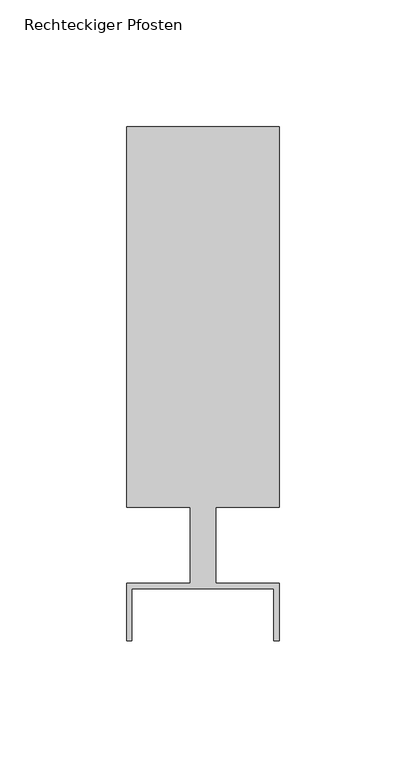
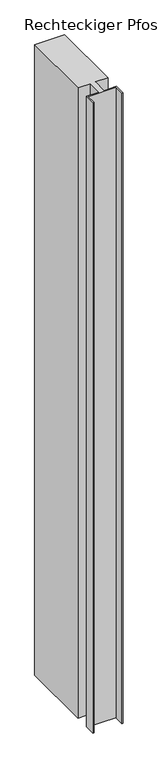
"""IFC4 building model written with IfcOpenShell, lengths in millimetres: member geometry, Rechteckiger Pfosten."""

import ifcopenshell
import ifcopenshell.guid

model = None  # the IFC model being written
_history = None  # IfcOwnerHistory: only IFC2X3 demands one
_inside = {}  # id of a spatial element -> (the spatial element, [elements in it])
_under = {}  # id of a project, library or spatial element -> (it, [spatial elements below it])
_declared = {}  # id of a project -> (the project, [libraries it declares])
_typed = {}  # id of a type object -> (the type object, [elements of that type])
_made_of = {}  # id of a material, layer set ... -> (it, [elements and type objects made of it])


def new_model(schema):
    """Start an empty IFC model of exactly this schema.

    Asked for "IFC4X3", IfcOpenShell would pick the latest addendum, in which some entities
    have other attributes; the version numbers below select the first issue.
    IFC2X3 requires an IfcOwnerHistory on every rooted entity: one is made here for all.
    """
    global model, _history
    if schema == "IFC4X3":
        model = ifcopenshell.file(schema_version=(4, 3, 0, 0))
    else:
        model = ifcopenshell.file(schema=schema)
    _inside.clear()
    _under.clear()
    _declared.clear()
    _typed.clear()
    _made_of.clear()
    _history = None
    if model.schema == "IFC2X3":
        org = make("IfcOrganization", Name="unknown")
        user = make(
            "IfcPersonAndOrganization",
            ThePerson=make("IfcPerson", FamilyName="unknown"),
            TheOrganization=org,
        )
        app = make(
            "IfcApplication",
            ApplicationDeveloper=org,
            Version="unknown",
            ApplicationFullName="unknown",
            ApplicationIdentifier="unknown",
        )
        _history = make(
            "IfcOwnerHistory",
            OwningUser=user,
            OwningApplication=app,
            ChangeAction="ADDED",
            CreationDate=0,
        )
    return model


def make(cls, **values):
    """One entity of the class cls with the attributes given. An attribute that is None is left unset."""
    return model.create_entity(
        cls, **{name: value for name, value in values.items() if value is not None}
    )


def rooted(cls, **values):
    """An entity with a GlobalId (a new one), such as an element, a storey or a relation."""
    return make(cls, GlobalId=ifcopenshell.guid.new(), OwnerHistory=_history, **values)


def si_unit(unit_type, name, prefix=None):
    """IfcSIUnit, for example si_unit("LENGTHUNIT", "METRE", prefix="MILLI")."""
    return make("IfcSIUnit", UnitType=unit_type, Prefix=prefix, Name=name)


def assignment(units):
    """IfcUnitAssignment: the units of a project."""
    return None if units is None else make("IfcUnitAssignment", Units=units)


def point(xyz):
    """IfcCartesianPoint."""
    return None if xyz is None else make("IfcCartesianPoint", Coordinates=xyz)


def direction(xyz):
    """IfcDirection."""
    return None if xyz is None else make("IfcDirection", DirectionRatios=xyz)


def frame(location, z_axis=None, x_axis=None):
    """IfcAxis2Placement3D, a coordinate frame: its origin and axes. An axis left out is left unset."""
    return make(
        "IfcAxis2Placement3D",
        Location=point(location),
        Axis=direction(z_axis),
        RefDirection=direction(x_axis),
    )


def origin():
    """The frame at (0, 0, 0) with its axes left unset."""
    return frame((0.0, 0.0, 0.0))


def place(relative_to, where):
    """IfcLocalPlacement: puts the frame where relative to a parent placement (None: the world)."""
    return make(
        "IfcLocalPlacement", PlacementRelTo=relative_to, RelativePlacement=where
    )


def context(
    kind, dimensions, precision=None, world=None, true_north=None, identifier=None
):
    """IfcGeometricRepresentationContext, for example the 3D "Model" context."""
    return make(
        "IfcGeometricRepresentationContext",
        ContextIdentifier=identifier,
        ContextType=kind,
        CoordinateSpaceDimension=dimensions,
        Precision=precision,
        WorldCoordinateSystem=world,
        TrueNorth=true_north,
    )


def project(units=None, contexts=None):
    """IfcProject with its units and contexts."""
    return rooted(
        "IfcProject",
        Name="project",
        RepresentationContexts=contexts,
        UnitsInContext=assignment(units),
    )


def spatial(cls, under=None, at=None, **own):
    """A site, building, storey or space (cls), placed at a placement, below another one or the project."""
    s = rooted(cls, ObjectPlacement=at, **own)
    if under is not None:
        _under.setdefault(under.id(), (under, []))[1].append(s)
    return s


def polyline(points):
    """IfcPolyline through the points."""
    return make("IfcPolyline", Points=[point(p) for p in points])


def outline(outer, holes=None, kind="AREA"):
    """IfcArbitraryClosedProfileDef: a profile drawn as a closed curve; with holes, ...WithVoids."""
    if holes is None:
        return make("IfcArbitraryClosedProfileDef", ProfileType=kind, OuterCurve=outer)
    return make(
        "IfcArbitraryProfileDefWithVoids",
        ProfileType=kind,
        OuterCurve=outer,
        InnerCurves=holes,
    )


def extrude(swept, where, along, depth):
    """IfcExtrudedAreaSolid: the profile swept, set in the frame where, extruded along a direction by depth."""
    return make(
        "IfcExtrudedAreaSolid",
        SweptArea=swept,
        Position=where,
        ExtrudedDirection=direction(along),
        Depth=depth,
    )


def shape(context_of_items, identifier, shape_type, items):
    """IfcShapeRepresentation: the items that make up one representation, for example the "Body"."""
    return make(
        "IfcShapeRepresentation",
        ContextOfItems=context_of_items,
        RepresentationIdentifier=identifier,
        RepresentationType=shape_type,
        Items=items,
    )


def source(mapping_origin, context_of_items, identifier, shape_type, items):
    """IfcRepresentationMap: a shape defined once, which mapped items show again and again."""
    return make(
        "IfcRepresentationMap",
        MappingOrigin=mapping_origin,
        MappedRepresentation=shape(context_of_items, identifier, shape_type, items),
    )


def transform(
    local_origin,
    x_axis=None,
    y_axis=None,
    z_axis=None,
    scale=None,
    scale2=None,
    scale3=None,
    uniform=True,
):
    """IfcCartesianTransformationOperator3D, or its non-uniform kind. x_axis, y_axis, z_axis: its Axis1, 2, 3."""
    if uniform:
        return make(
            "IfcCartesianTransformationOperator3D",
            Axis1=direction(x_axis),
            Axis2=direction(y_axis),
            LocalOrigin=point(local_origin),
            Scale=scale,
            Axis3=direction(z_axis),
        )
    return make(
        "IfcCartesianTransformationOperator3DnonUniform",
        Axis1=direction(x_axis),
        Axis2=direction(y_axis),
        LocalOrigin=point(local_origin),
        Scale=scale,
        Axis3=direction(z_axis),
        Scale2=scale2,
        Scale3=scale3,
    )


def mapped(mapping_source, mapping_target):
    """IfcMappedItem: shows the shape of a source again, moved by a transform."""
    return make(
        "IfcMappedItem", MappingSource=mapping_source, MappingTarget=mapping_target
    )


def made_of(thing, what):
    """Note that an element or type object is made of a material, layer set ...; save() writes the relation."""
    if what is not None:
        _made_of.setdefault(what.id(), (what, []))[1].append(thing)
    return thing


def element(
    cls,
    number,
    at=None,
    inside=None,
    cuts=None,
    type_object=None,
    material=None,
    context=None,
    identifier="Body",
    shape_type=None,
    held_by="IfcProductDefinitionShape",
    body=None,
    shapes=None,
    **own,
):
    """One element of the class cls, such as IfcWall. Its Tag is "e" and its number.

    at: its placement. inside: the storey or other place that contains it. cuts: it is an
    opening in that element (IfcRelVoidsElement). A single representation is given by context,
    identifier, shape_type and body (its items); several are given by shapes. held_by: the class
    of the entity that holds the representations. save() writes the other relations.
    """
    e = rooted(cls, Tag="e%d" % number, ObjectPlacement=at, **own)
    if body is not None:
        shapes = [shape(context, identifier, shape_type, body)]
    if shapes is not None:
        e.Representation = make(held_by, Representations=shapes)
    if inside is not None:
        _inside.setdefault(inside.id(), (inside, []))[1].append(e)
    if cuts is not None:
        rooted(
            "IfcRelVoidsElement", RelatingBuildingElement=cuts, RelatedOpeningElement=e
        )
    if type_object is not None:
        _typed.setdefault(type_object.id(), (type_object, []))[1].append(e)
    return made_of(e, material)


def aggregate(whole, parts):
    """IfcRelAggregates: a whole, such as a stair, and the parts it consists of."""
    return rooted("IfcRelAggregates", RelatingObject=whole, RelatedObjects=parts)


def save(model, path):
    """Write the relations noted so far, then the file.

    IfcRelAggregates (storeys below a building ...), IfcRelContainedInSpatialStructure (elements
    in a storey), IfcRelDefinesByType, IfcRelAssociatesMaterial and IfcRelDeclares: one each for
    every whole, place, type object, material and project.
    """
    for whole, parts in _under.values():
        aggregate(whole, parts)
    for where, things in _inside.values():
        rooted(
            "IfcRelContainedInSpatialStructure",
            RelatedElements=things,
            RelatingStructure=where,
        )
    for kind, things in _typed.values():
        rooted("IfcRelDefinesByType", RelatedObjects=things, RelatingType=kind)
    for what, things in _made_of.values():
        rooted("IfcRelAssociatesMaterial", RelatedObjects=things, RelatingMaterial=what)
    for by, libraries in _declared.values():
        rooted("IfcRelDeclares", RelatingContext=by, RelatedDefinitions=libraries)
    model.write(path)


def rechteckiger_pfosten_1c52943b(model_context):
    return source(origin(), model_context, "Body", "SweptSolid", [
        extrude(outline(polyline([(28.0, -37.5), (28.0, -17.0), (-28.0, -17.0), (-28.0, -37.5), (-30.0, -37.5), (-30.0, -15.0), (-5.0, -15.0), (-5.0, 15.0), (-30.0, 15.0), (-30.0, 165.0), (30.0, 165.0), (30.0, 15.0), (5.0, 15.0), (5.0, -15.0), (30.0, -15.0), (30.0, -37.5), (28.0, -37.5)])), frame((0.0, 0.0, -1334.6402382), z_axis=(0.0, 0.0, 1.0), x_axis=(1.0, 0.0, 0.0)), (0.0, 0.0, 1.0), 1334.6402382),
    ])


if __name__ == "__main__":
    model = new_model("IFC4")
    model_context = context("Model", 3, world=origin())
    ifc_project = project(units=[si_unit("LENGTHUNIT", "METRE", prefix="MILLI")], contexts=[model_context])
    site = spatial("IfcSite", under=ifc_project)
    building = spatial("IfcBuilding", under=site)
    placement = place(None, origin())
    rechteckiger_pfosten_shape = rechteckiger_pfosten_1c52943b(model_context)
    element("IfcMember", 1, ObjectType="Rechteckiger Pfosten", at=placement, inside=building, context=model_context, shape_type="MappedRepresentation", body=[
        mapped(rechteckiger_pfosten_shape, transform((0.0, 0.0, 0.0), x_axis=(1.0, 0.0, 0.0), y_axis=(0.0, 1.0, 0.0), z_axis=(0.0, 0.0, 1.0))),
    ])
    save(model, "model.ifc")
